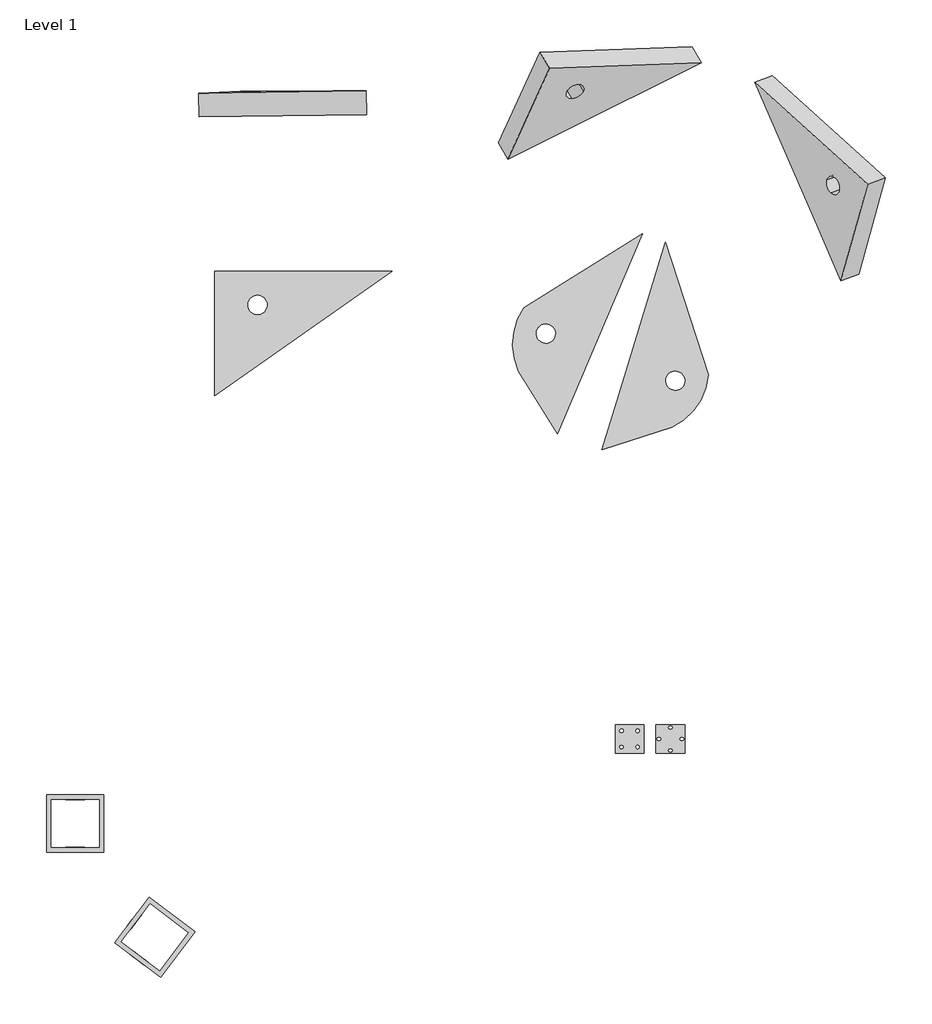
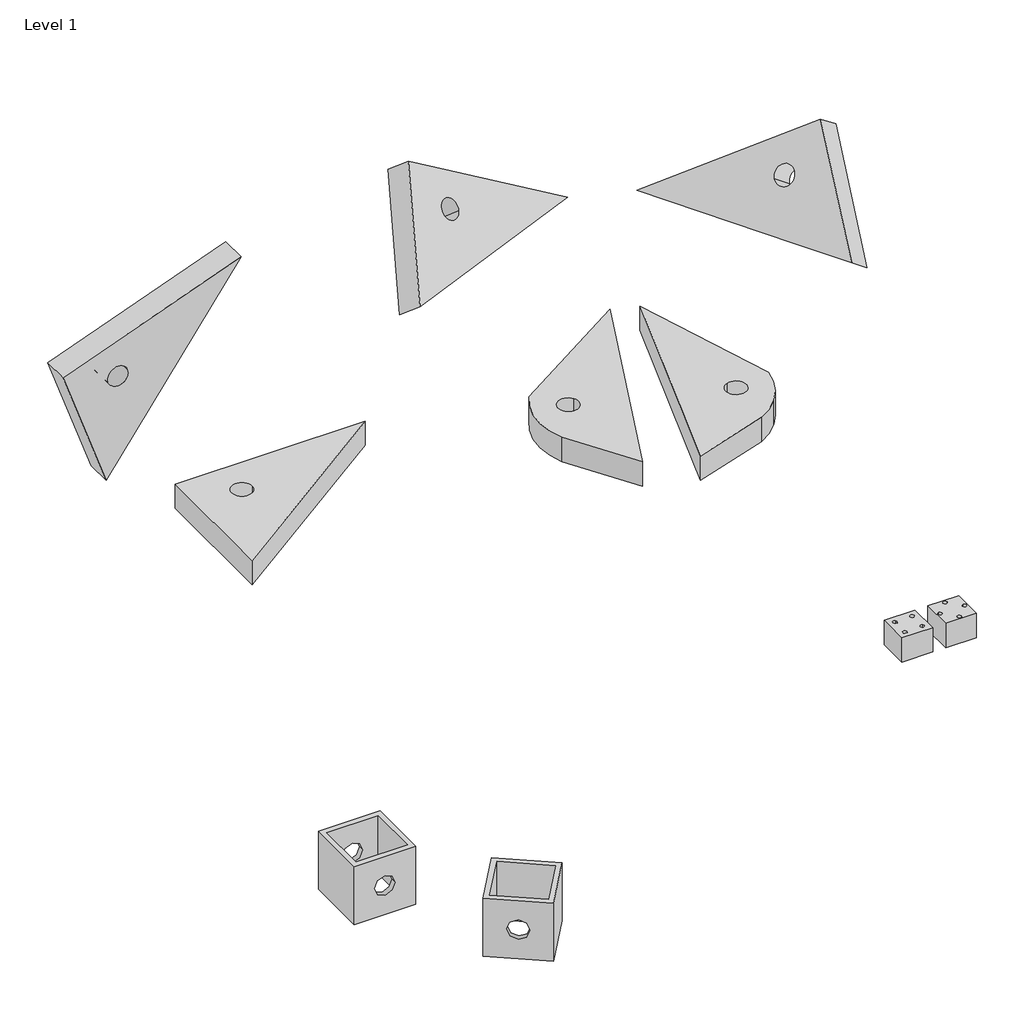
# One storey: 9 proxies.
"""IFC4 building model written with IfcOpenShell, lengths in millimetres."""

from ifc_helpers import new_model, si_unit, point, frame, frame_2d, origin, origin_with_axes, place, context, project, spatial, polyline, circle_curve, trimmed, segment, composite_curve, outline, extrude, element, save
from ifc_brep_helpers import plane_surface, cylinder_surface, revolved_surface, advanced_brep

model = new_model("IFC4")

# Units and contexts
model_context = context("Model", 3, world=origin())
ifc_project = project(units=[si_unit("LENGTHUNIT", "METRE", prefix="MILLI")], contexts=[model_context])

# Site, building, storey
site = spatial("IfcSite", under=ifc_project)
building = spatial("IfcBuilding", under=site)
storey = spatial("IfcBuildingStorey", under=building, Name="Level 1", Elevation=0.0)

# Proxies
placement = place(None, origin())
element("IfcBuildingElementProxy", 1, Name="Generic Models 1 : Generic Models 1", ObjectType="Generic Models 1 : Generic Models 1", at=placement, inside=storey, context=model_context, shape_type="SweptSolid", body=[
    extrude(outline(polyline([(506.5461347, 2887.032419), (506.5461347, 4187.032419), (2363.1385434, 4187.032419), (506.5461347, 2887.032419)]), holes=[composite_curve([segment(trimmed(circle_curve(frame_2d((956.5461347, 3837.032419)), 100.0), [point((856.5461347, 3837.032419))], [point((1056.5461347, 3837.032419))], True, "CARTESIAN"), True, "CONTINUOUS"), segment(trimmed(circle_curve(frame_2d((956.5461347, 3837.032419)), 100.0), [point((1056.5461347, 3837.032419))], [point((856.5461347, 3837.032419))], True, "CARTESIAN"), True, "CONTINUOUS")], self_intersect=False)]), origin_with_axes(), (0.0, 0.0, 1.0), 250.0),
])
element("IfcBuildingElementProxy", 2, Name="Generic Models 2 : Generic Models 1", ObjectType="Generic Models 2 : Generic Models 1", at=placement, inside=storey, context=model_context, shape_type="AdvancedBrep", body=[
    advanced_brep(
    [(4092.050032, 2493.8791148, 250.0), (4326.4887091, 3046.1820269, 250.0), (4977.6346461, 4580.1857231, 250.0), (3742.374227, 3808.3093455, 250.0), (3684.4456347, 3146.182506, 250.0), (4055.0531839, 3590.9804015, 250.0), (4023.2403007, 3453.1836655, 250.0), (3885.4435646, 3484.9965487, 250.0), (4092.050032, 2493.8791148, 0.0), (3684.4456347, 3146.182506, 0.0), (3742.374227, 3808.3093455, 0.0), (4977.6346461, 4580.1857231, 0.0), (4326.4887091, 3046.1820269, 0.0), (4055.0531839, 3590.9804015, 0.0), (3885.4435646, 3484.9965487, 0.0), (4023.2403007, 3453.1836655, 0.0)],
    [
        (0, 1),
        (1, 2),
        (2, 3),
        (3, 4, circle_curve(frame((4297.4793125, 3426.1464762, 250.0), z_axis=(0.0, 0.0, 1.0), x_axis=(0.8480480961564294, 0.5299192642331997, 0.0)), 673.9362839)),
        (4, 0),
        (5, 6, circle_curve(frame((3970.2483743, 3537.9884751, 250.0), z_axis=(0.0, 0.0, -1.0), x_axis=(-0.8480480961564244, -0.5299192642332075, 0.0)), 100.0)),
        (6, 7, circle_curve(frame((3970.2483743, 3537.9884751, 250.0), z_axis=(0.0, 0.0, -1.0), x_axis=(0.8480480961564344, 0.5299192642331917, 0.0)), 100.0)),
        (7, 5, circle_curve(frame((3970.2483743, 3537.9884751, 250.0), z_axis=(0.0, 0.0, -1.0), x_axis=(0.8480480961564294, 0.5299192642331996, 0.0)), 100.0)),
        (8, 9),
        (9, 10, circle_curve(frame((4297.4793125, 3426.1464762, 0.0), z_axis=(0.0, 0.0, -1.0), x_axis=(0.8480480961564294, 0.5299192642331997, 0.0)), 673.9362839)),
        (10, 11),
        (11, 12),
        (12, 8),
        (13, 14, circle_curve(frame((3970.2483743, 3537.9884751, 0.0), z_axis=(0.0, 0.0, 1.0), x_axis=(0.8480480961564294, 0.5299192642331996, 0.0)), 100.0)),
        (14, 15, circle_curve(frame((3970.2483743, 3537.9884751, 0.0), z_axis=(0.0, 0.0, 1.0), x_axis=(0.8480480961564344, 0.5299192642331917, 0.0)), 100.0)),
        (15, 13, circle_curve(frame((3970.2483743, 3537.9884751, 0.0), z_axis=(0.0, 0.0, 1.0), x_axis=(-0.8480480961564244, -0.5299192642332075, 0.0)), 100.0)),
        (2, 11),
        (10, 3),
        (4, 9),
        (8, 0),
        (5, 13),
        (15, 6),
        (14, 7),
    ],
    [
        plane_surface(frame((4092.050032, 2493.8791148, 250.0), z_axis=(0.0, 0.0, 1.0), x_axis=(0.39073112848927954, 0.9205048534524378, 0.0))),
        plane_surface(frame((4092.050032, 2493.8791148, 0.0), z_axis=(0.0, 0.0, -1.0), x_axis=(-0.39073112848927954, -0.9205048534524378, 0.0))),
        plane_surface(frame((4977.6346461, 4580.1857231, 250.0), z_axis=(-0.5299192642331968, 0.8480480961564311, 0.0), x_axis=(0.0, 0.0, -1.0))),
        plane_surface(frame((3684.4456347, 3146.182506, 250.0), z_axis=(-0.8480480961564303, -0.5299192642331982, 0.0), x_axis=(0.0, 0.0, -1.0))),
        plane_surface(frame((4326.4887091, 3046.1820269, 250.0), z_axis=(0.9205048534524375, -0.39073112848928054, 0.0), x_axis=(0.0, 0.0, -1.0))),
        revolved_surface(polyline([(3885.443564684357, 3484.996548676679, 0.0), (3885.443564684357, 3484.996548676679, 250.0)]), (3970.2483743, 3537.9884751, 0.0), (0.0, 0.0, -1.0)),
        revolved_surface(polyline([(4055.0531839156433, 3590.980401523319, 0.0), (4055.0531839156433, 3590.980401523319, 250.0000000000001)]), (3970.2483743, 3537.9884751, 0.0), (0.0, 0.0, -1.0000000000000002)),
        revolved_surface(polyline([(4055.053183915643, 3590.98040152332, 0.0), (4055.053183915643, 3590.98040152332, 250.0)]), (3970.2483743, 3537.9884751, 0.0), (0.0, 0.0, -1.0)),
        cylinder_surface(frame((4297.4793125, 3426.1464762, 0.0), z_axis=(0.0, 0.0, 1.0000000000000002), x_axis=(0.8480480961564294, 0.5299192642331997, 0.0)), 673.9362839),
    ],
    [
        (0, [[1, 2, 3, 4, 5], [6, 7, 8]]),
        (1, [[9, 10, 11, 12, 13], [14, 15, 16]]),
        (2, [[-3, 17, -11, 18]]),
        (3, [[-5, 19, -9, 20]]),
        (4, [[-2, -1, -20, -13, -12, -17]]),
        (5, [[-6, 21, -16, 22]]),
        (6, [[-7, -22, -15, 23]]),
        (7, [[-8, -23, -14, -21]]),
        (8, [[-4, -18, -10, -19]]),
    ],
),
])
element("IfcBuildingElementProxy", 3, Name="Generic Models 3 : Generic Models 1", ObjectType="Generic Models 3 : Generic Models 1", at=placement, inside=storey, context=model_context, shape_type="SweptSolid", body=[
    extrude(outline(polyline([(0.0, 0.0), (2266.4808343, 0.0), (745.6493672, -1064.8976576), (0.0, 0.0)]), holes=[composite_curve([segment(trimmed(circle_curve(frame_2d((913.5160344, -520.0850458)), 100.0), [point((831.60083, -577.4426894))], [point((995.4312388, -462.7274021))], True, "CARTESIAN"), True, "CONTINUOUS"), segment(trimmed(circle_curve(frame_2d((913.5160344, -520.0850458)), 100.0), [point((995.4312388, -462.7274021))], [point((831.60083, -577.4426894))], True, "CARTESIAN"), True, "CONTINUOUS")], self_intersect=False)]), frame((778.5900429, 5822.5172134, -798.7920893), z_axis=(-0.016928079747893097, 0.9997928725186354, 0.011298326291301092), x_axis=(0.5809608412998808, 0.0006386227946891793, 0.8139312581766723)), (0.0, 0.0, 1.0), 250.0),
])
element("IfcBuildingElementProxy", 4, Name="Generic Models 4 : Generic Models 1", ObjectType="Generic Models 4 : Generic Models 1", at=placement, inside=storey, context=model_context, shape_type="AdvancedBrep", body=[
    advanced_brep(
    [(3573.6009573, 5359.4446166, 295.9480703), (4108.8111229, 5626.0195792, 246.0695389), (5595.3402619, 6366.4230227, 107.5335112), (4008.6656399, 6309.050226, 1069.8782407), (4361.57195, 6070.3833893, 576.4258343), (4242.6437797, 5994.2465836, 568.72667), (4190.6486376, 6064.2029486, 680.0936857), (3474.3444162, 5530.0070486, 142.4664888), (3909.4090988, 6479.6126579, 916.3966592), (5496.0837208, 6536.9854546, -45.9480703), (4009.5545818, 5796.5820112, 92.5879574), (4262.3154089, 6240.9458212, 422.9442528), (4091.3920965, 6234.7653805, 526.6121042), (4143.3872387, 6164.8090155, 415.2450884)],
    [
        (0, 1),
        (1, 2),
        (2, 3),
        (3, 0),
        (4, 5, circle_curve(frame((4276.1102938, 6067.293169, 628.25976), z_axis=(-0.39702616432494253, 0.6822497276628084, -0.6139263261544072), x_axis=(-0.8546165623099989, -0.030902203639162164, 0.5183392568923209)), 100.0)),
        (5, 6, circle_curve(frame((4276.1102938, 6067.293169, 628.25976), z_axis=(-0.3970261643249426, 0.6822497276628083, -0.6139263261544073), x_axis=(0.8546165623099927, 0.03090220363914851, -0.5183392568923321)), 100.0)),
        (6, 4, circle_curve(frame((4276.1102938, 6067.293169, 628.25976), z_axis=(-0.3970261643249425, 0.6822497276628084, -0.6139263261544072), x_axis=(0.8546165623099959, 0.030902203639155343, -0.5183392568923265)), 100.0)),
        (7, 8),
        (8, 9),
        (9, 10),
        (10, 7),
        (11, 12, circle_curve(frame((4176.8537527, 6237.8556009, 474.7781785), z_axis=(0.3970261643249425, -0.6822497276628084, 0.6139263261544072), x_axis=(0.8546165623099959, 0.030902203639155343, -0.5183392568923265)), 100.0)),
        (12, 13, circle_curve(frame((4176.8537527, 6237.8556009, 474.7781785), z_axis=(0.3970261643249426, -0.6822497276628083, 0.6139263261544073), x_axis=(0.8546165623099927, 0.03090220363914851, -0.5183392568923321)), 100.0)),
        (13, 11, circle_curve(frame((4176.8537527, 6237.8556009, 474.7781785), z_axis=(0.39702616432494253, -0.6822497276628084, 0.6139263261544072), x_axis=(-0.8546165623099989, -0.030902203639162164, 0.5183392568923209)), 100.0)),
        (2, 9),
        (8, 3),
        (7, 0),
        (4, 11),
        (13, 5),
        (12, 6),
    ],
    [
        plane_surface(frame((3573.6009573, 5359.4446166, 295.9480703), z_axis=(0.3970261643249425, -0.6822497276628084, 0.6139263261544072), x_axis=(0.8920169427592191, 0.44429160432620823, -0.08313088569081939))),
        plane_surface(frame((3474.3444162, 5530.0070486, 142.4664888), z_axis=(-0.3970261643249425, 0.6822497276628084, -0.6139263261544072), x_axis=(-0.8920169427592191, -0.44429160432620823, 0.08313088569081939))),
        plane_surface(frame((5595.3402619, 6366.4230227, 107.5335112), z_axis=(0.3346651405014731, 0.7304658533526863, 0.5953309002721606), x_axis=(-0.3970261643249419, 0.6822497276628084, -0.6139263261544076))),
        plane_surface(frame((4008.6656399, 6309.050226, 1069.8782407), z_axis=(-0.8546165623099948, -0.030902203639154496, 0.5183392568923283), x_axis=(-0.39702616432494364, 0.6822497276628077, -0.6139263261544073))),
        plane_surface(frame((4108.8111229, 5626.0195792, 246.0695389), z_axis=(0.2160462882623067, -0.5806378212184155, -0.7849737077754975), x_axis=(-0.3970261643249419, 0.6822497276628083, -0.6139263261544077))),
        revolved_surface(polyline([(4091.392096469, 6234.765380536084, 526.6121041892321), (4190.648637555841, 6064.20294861075, 680.093685736501)]), (4176.8537527, 6237.8556009, 474.7781785), (-0.3970261643249424, 0.6822497276628083, -0.6139263261544071)),
        revolved_surface(polyline([(4262.315408930999, 6240.945821263916, 422.94425281076684), (4361.571950018816, 6070.383389336905, 576.4258343595448)]), (4176.8537527, 6237.8556009, 474.7781785), (-0.3970261643249426, 0.6822497276628083, -0.6139263261544073)),
        revolved_surface(polyline([(4262.315408930999, 6240.945821263916, 422.94425281076735), (4361.571950018816, 6070.383389336905, 576.4258343595453)]), (4176.8537527, 6237.8556009, 474.7781785), (-0.3970261643249426, 0.6822497276628086, -0.6139263261544073)),
    ],
    [
        (0, [[1, 2, 3, 4], [5, 6, 7]]),
        (1, [[8, 9, 10, 11], [12, 13, 14]]),
        (2, [[-3, 15, -9, 16]]),
        (3, [[-4, -16, -8, 17]]),
        (4, [[-2, -1, -17, -11, -10, -15]]),
        (5, [[-5, 18, -14, 19]]),
        (6, [[-6, -19, -13, 20]]),
        (7, [[-7, -20, -12, -18]]),
    ],
),
])
element("IfcBuildingElementProxy", 5, Name="Generic Models 5 : Generic Models 1", ObjectType="Generic Models 5 : Generic Models 1", at=placement, inside=storey, context=model_context, shape_type="AdvancedBrep", body=[
    advanced_brep(
    [(7056.5421426, 4091.7576975, 295.9480703), (7333.6579798, 5098.8519851, 1069.8782407), (6155.0732255, 6162.6968848, 107.5335112), (6817.8984523, 4639.9924293, 246.0695389), (6909.9039766, 5142.8663846, 576.4258343), (7036.8661196, 5028.2645049, 680.0936857), (6952.0684452, 5008.0966534, 568.72667), (7242.2124822, 4158.6152259, 142.4664888), (7003.5687919, 4706.8499577, 92.5879574), (6340.7435651, 6229.5544132, -45.9480703), (7519.3283195, 5165.7095135, 916.3966592), (7095.5743162, 5209.723913, 422.9442528), (7137.7387849, 5074.9541818, 415.2450884), (7222.5364592, 5095.1220333, 526.6121042)],
    [
        (0, 1),
        (1, 2),
        (2, 3),
        (3, 0),
        (4, 5, circle_curve(frame((6973.3850481, 5085.5654448, 628.25976), z_axis=(0.7426813586076336, 0.26743011354608487, -0.6139263261544076), x_axis=(-0.6348107149437565, 0.5730093986636765, -0.5183392568923262)), 100.0)),
        (5, 6, circle_curve(frame((6973.3850481, 5085.5654448, 628.25976), z_axis=(0.7426813586076336, 0.2674301135460847, -0.6139263261544075), x_axis=(-0.6348107149437584, 0.5730093986636693, -0.5183392568923317)), 100.0)),
        (6, 4, circle_curve(frame((6973.3850481, 5085.5654448, 628.25976), z_axis=(0.7426813586076335, 0.2674301135460848, -0.6139263261544075), x_axis=(0.6348107149437544, -0.5730093986636837, 0.5183392568923205)), 100.0)),
        (7, 8),
        (8, 9),
        (9, 10),
        (10, 7),
        (11, 12, circle_curve(frame((7159.0553877, 5152.4229732, 474.7781785), z_axis=(-0.7426813586076335, -0.2674301135460848, 0.6139263261544075), x_axis=(0.6348107149437544, -0.5730093986636837, 0.5183392568923205)), 100.0)),
        (12, 13, circle_curve(frame((7159.0553877, 5152.4229732, 474.7781785), z_axis=(-0.7426813586076336, -0.2674301135460847, 0.6139263261544075), x_axis=(-0.6348107149437584, 0.5730093986636693, -0.5183392568923317)), 100.0)),
        (13, 11, circle_curve(frame((7159.0553877, 5152.4229732, 474.7781785), z_axis=(-0.7426813586076336, -0.26743011354608487, 0.6139263261544076), x_axis=(-0.6348107149437565, 0.5730093986636765, -0.5183392568923262)), 100.0)),
        (2, 9),
        (7, 0),
        (1, 10),
        (6, 12),
        (11, 4),
        (5, 13),
    ],
    [
        plane_surface(frame((7333.6579798, 5098.8519851, 1069.8782407), z_axis=(-0.7426813586076335, -0.2674301135460847, 0.6139263261544075), x_axis=(0.21316602864742795, 0.7746879135573382, 0.5953309002721613))),
        plane_surface(frame((7519.3283195, 5165.7095135, 916.3966592), z_axis=(0.7426813586076335, 0.2674301135460847, -0.6139263261544075), x_axis=(-0.21316602864742795, -0.7746879135573382, -0.5953309002721613))),
        plane_surface(frame((6817.8984523, 4639.9924293, 246.0695389), z_axis=(-0.5387278557744046, -0.3059224991952992, -0.784973707775499), x_axis=(0.7426813586076355, 0.2674301135460842, -0.6139263261544053))),
        plane_surface(frame((7333.6579798, 5098.8519851, 1069.8782407), z_axis=(0.2131660286474263, 0.7746879135573387, 0.5953309002721613), x_axis=(0.7426813586076324, 0.2674301135460868, -0.613926326154408))),
        plane_surface(frame((7056.5421426, 4091.7576975, 295.9480703), z_axis=(0.6348107149437577, -0.5730093986636746, 0.5183392568923266), x_axis=(0.7426813586076326, 0.2674301135460847, -0.6139263261544087))),
        revolved_surface(polyline([(7222.536459254479, 5095.122033355275, 526.6121041395479), (7036.866119545373, 5028.264504948158, 680.0936857254316)]), (7159.0553877, 5152.4229732, 474.7781785), (0.7426813586076335, 0.2674301135460848, -0.6139263261544075)),
        revolved_surface(polyline([(7095.574316265728, 5209.72391308801, 422.9442527610826), (6909.903976556622, 5142.866384680893, 576.4258343469663)]), (7159.0553877, 5152.4229732, 474.7781785), (0.7426813586076337, 0.26743011354608476, -0.6139263261544076)),
        revolved_surface(polyline([(7095.574316205624, 5209.723913066368, 422.9442528107674), (6909.903976585896, 5142.866384691435, 576.4258343227682)]), (7159.0553877, 5152.4229732, 474.7781785), (0.7426813586076337, 0.2674301135460849, -0.6139263261544077)),
    ],
    [
        (0, [[1, 2, 3, 4], [5, 6, 7]]),
        (1, [[8, 9, 10, 11], [12, 13, 14]]),
        (2, [[-4, -3, 15, -9, -8, 16]]),
        (3, [[-2, 17, -10, -15]]),
        (4, [[-1, -16, -11, -17]]),
        (5, [[-7, 18, -12, 19]]),
        (6, [[-6, 20, -13, -18]]),
        (7, [[-5, -19, -14, -20]]),
    ],
),
])
element("IfcBuildingElementProxy", 6, Name="Generic Models 6 : Generic Models 1", ObjectType="Generic Models 6 : Generic Models 1", at=placement, inside=storey, context=model_context, shape_type="AdvancedBrep", body=[
    advanced_brep(
    [(4558.9889079, 2323.9272628, 250.0), (5290.5245291, 2561.6175946, 250.0), (5510.9079475, 2729.6192336, 250.0), (5671.7555814, 3106.071962, 250.0), (5221.6437732, 4491.3736639, 250.0), (4734.4119308, 2897.7101163, 250.0), (5292.5332515, 3140.5744914, 250.0), (5354.3366504, 2950.3631881, 250.0), (5228.3292993, 3014.5671403, 250.0), (4558.9889079, 2323.9272628, 0.0), (4734.4119308, 2897.7101163, 0.0), (5221.6437732, 4491.3736639, 0.0), (5671.7555814, 3106.071962, 0.0), (5510.9079475, 2729.6192336, 0.0), (5290.5245291, 2561.6175946, 0.0), (5292.5332515, 3140.5744914, 0.0), (5228.3292993, 3014.5671403, 0.0), (5354.3366504, 2950.3631881, 0.0)],
    [
        (0, 1),
        (1, 2, circle_curve(frame((5000.870858, 3170.1328906, 250.0), z_axis=(0.0, 0.0, 1.0), x_axis=(-0.309016994374952, 0.9510565162951521, 0.0)), 673.9362839)),
        (2, 3, circle_curve(frame((5000.870858, 3170.1328906, 250.0), z_axis=(0.0, 0.0, 1.0), x_axis=(-0.309016994374952, 0.9510565162951521, 0.0)), 673.9362839)),
        (3, 4),
        (4, 5),
        (5, 0),
        (6, 7, circle_curve(frame((5323.434951, 3045.4688398, 250.0), z_axis=(0.0, 0.0, -1.0), x_axis=(-0.3090169943749521, 0.9510565162951521, 0.0)), 100.0)),
        (7, 8, circle_curve(frame((5323.434951, 3045.4688398, 250.0), z_axis=(0.0, 0.0, -1.0), x_axis=(-0.30901699437496094, 0.9510565162951492, 0.0)), 100.0)),
        (8, 6, circle_curve(frame((5323.434951, 3045.4688398, 250.0), z_axis=(0.0, 0.0, -1.0), x_axis=(0.3090169943749431, -0.951056516295155, 0.0)), 100.0)),
        (9, 10),
        (10, 11),
        (11, 12),
        (12, 13, circle_curve(frame((5000.870858, 3170.1328906, 0.0), z_axis=(0.0, 0.0, -1.0), x_axis=(-0.309016994374952, 0.9510565162951521, 0.0)), 673.9362839)),
        (13, 14, circle_curve(frame((5000.870858, 3170.1328906, 0.0), z_axis=(0.0, 0.0, -1.0), x_axis=(-0.309016994374952, 0.9510565162951521, 0.0)), 673.9362839)),
        (14, 9),
        (15, 16, circle_curve(frame((5323.434951, 3045.4688398, 0.0), z_axis=(0.0, 0.0, 1.0), x_axis=(0.3090169943749431, -0.951056516295155, 0.0)), 100.0)),
        (16, 17, circle_curve(frame((5323.434951, 3045.4688398, 0.0), z_axis=(0.0, 0.0, 1.0), x_axis=(-0.30901699437496094, 0.9510565162951492, 0.0)), 100.0)),
        (17, 15, circle_curve(frame((5323.434951, 3045.4688398, 0.0), z_axis=(0.0, 0.0, 1.0), x_axis=(-0.3090169943749521, 0.9510565162951521, 0.0)), 100.0)),
        (4, 11),
        (9, 0),
        (3, 12),
        (14, 1),
        (8, 16),
        (15, 6),
        (7, 17),
        (2, 13),
    ],
    [
        plane_surface(frame((5795.3623791, 2725.6493555, 250.0), z_axis=(0.0, 0.0, 1.0), x_axis=(0.9510565162951516, 0.3090169943749534, 0.0))),
        plane_surface(frame((5795.3623791, 2725.6493555, 0.0), z_axis=(0.0, 0.0, -1.0), x_axis=(-0.9510565162951516, -0.3090169943749534, 0.0))),
        plane_surface(frame((4734.4119308, 2897.7101163, 250.0), z_axis=(-0.9563047559630372, 0.29237170472273133, 0.0), x_axis=(0.0, 0.0, -1.0))),
        plane_surface(frame((5671.7555814, 3106.071962, 250.0), z_axis=(0.9510565162951511, 0.3090169943749553, 0.0), x_axis=(0.0, 0.0, -1.0))),
        plane_surface(frame((4558.9889079, 2323.9272628, 250.0), z_axis=(0.3090169943749534, -0.9510565162951516, 0.0), x_axis=(0.0, 0.0, -1.0))),
        revolved_surface(polyline([(5354.336650437494, 2950.363188170484, 0.0), (5354.336650437494, 2950.363188170484, 250.0)]), (5323.434951, 3045.4688398, 0.0), (0.0, 0.0, -1.0)),
        revolved_surface(polyline([(5292.533251562504, 3140.5744914295146, 0.0), (5292.533251562504, 3140.5744914295146, 250.0)]), (5323.434951, 3045.4688398, 0.0), (0.0, 0.0, -1.0)),
        revolved_surface(polyline([(5292.533251562505, 3140.574491429515, 0.0), (5292.533251562505, 3140.574491429515, 250.0)]), (5323.434951, 3045.4688398, 0.0), (0.0, 0.0, -1.0)),
        cylinder_surface(frame((5000.870858, 3170.1328906, 0.0), z_axis=(0.0, 0.0, 1.0), x_axis=(-0.309016994374952, 0.9510565162951521, 0.0)), 673.9362839),
    ],
    [
        (0, [[1, 2, 3, 4, 5, 6], [7, 8, 9]]),
        (1, [[10, 11, 12, 13, 14, 15], [16, 17, 18]]),
        (2, [[-6, -5, 19, -11, -10, 20]]),
        (3, [[-4, 21, -12, -19]]),
        (4, [[-1, -20, -15, 22]]),
        (5, [[-9, 23, -16, 24]]),
        (6, [[-8, 25, -17, -23]]),
        (7, [[-7, -24, -18, -25]]),
        (8, [[-3, 26, -13, -21]]),
        (8, [[-2, -22, -14, -26]]),
    ],
),
])
element("IfcBuildingElementProxy", 7, Name="Generic Models 7 : Generic Models 7", ObjectType="Generic Models 7 : Generic Models 7", at=placement, inside=storey, context=model_context, shape_type="AdvancedBrep", body=[
    advanced_brep(
    [(-649.2266102, -1281.251195, 600.0), (-1249.2266102, -1281.251195, 600.0), (-1249.2266102, -1881.251195, 600.0), (-649.2266102, -1881.251195, 600.0), (-1199.2266102, -1331.251195, 600.0), (-699.2266102, -1331.251195, 600.0), (-699.2266102, -1831.251195, 600.0), (-1199.2266102, -1831.251195, 600.0), (-649.2266102, -1281.251195, 0.0), (-649.2266102, -1881.251195, 0.0), (-1249.2266102, -1881.251195, 0.0), (-1249.2266102, -1281.251195, 0.0), (-1199.2266102, -1331.251195, 0.0), (-1199.2266102, -1831.251195, 0.0), (-699.2266102, -1831.251195, 0.0), (-699.2266102, -1331.251195, 0.0), (-849.2266102, -1281.251195, 300.0), (-1049.2266102, -1281.251195, 300.0), (-1049.2266102, -1881.251195, 300.0), (-849.2266102, -1881.251195, 300.0), (-1049.2266102, -1331.251195, 300.0), (-849.2266102, -1331.251195, 300.0), (-849.2266102, -1831.251195, 300.0), (-1049.2266102, -1831.251195, 300.0)],
    [
        (0, 1),
        (1, 2),
        (2, 3),
        (3, 0),
        (4, 5),
        (5, 6),
        (6, 7),
        (7, 4),
        (8, 9),
        (9, 10),
        (10, 11),
        (11, 8),
        (12, 13),
        (13, 14),
        (14, 15),
        (15, 12),
        (0, 8),
        (11, 1),
        (16, 17, circle_curve(frame((-949.2266102, -1281.251195, 300.0), z_axis=(0.0, -1.0, 0.0), x_axis=(1.0, 0.0, 0.0)), 100.0)),
        (17, 16, circle_curve(frame((-949.2266102, -1281.251195, 300.0), z_axis=(0.0, -1.0, 0.0), x_axis=(1.0, 0.0, 0.0)), 100.0)),
        (10, 2),
        (9, 3),
        (18, 19, circle_curve(frame((-949.2266102, -1881.251195, 300.0), z_axis=(0.0, 1.0, 0.0), x_axis=(1.0, 0.0, 0.0)), 100.0)),
        (19, 18, circle_curve(frame((-949.2266102, -1881.251195, 300.0), z_axis=(0.0, 1.0, 0.0), x_axis=(1.0, 0.0, 0.0)), 100.0)),
        (4, 12),
        (15, 5),
        (20, 21, circle_curve(frame((-949.2266102, -1331.251195, 300.0), z_axis=(0.0, 1.0, 0.0), x_axis=(1.0, 0.0, 0.0)), 100.0)),
        (21, 20, circle_curve(frame((-949.2266102, -1331.251195, 300.0), z_axis=(0.0, 1.0, 0.0), x_axis=(1.0, 0.0, 0.0)), 100.0)),
        (14, 6),
        (13, 7),
        (22, 23, circle_curve(frame((-949.2266102, -1831.251195, 300.0), z_axis=(0.0, -1.0, 0.0), x_axis=(1.0, 0.0, 0.0)), 100.0)),
        (23, 22, circle_curve(frame((-949.2266102, -1831.251195, 300.0), z_axis=(0.0, -1.0, 0.0), x_axis=(1.0, 0.0, 0.0)), 100.0)),
        (18, 23),
        (22, 19),
        (17, 20),
        (21, 16),
    ],
    [
        plane_surface(frame((-1249.2266102, -1281.251195, 600.0), z_axis=(0.0, 0.0, 1.0), x_axis=(-1.0, 0.0, 0.0))),
        plane_surface(frame((-1249.2266102, -1281.251195, 0.0), z_axis=(0.0, 0.0, -1.0), x_axis=(1.0, 0.0, 0.0))),
        plane_surface(frame((-649.2266102, -1281.251195, 600.0), z_axis=(0.0, 1.0, 0.0), x_axis=(0.0, 0.0, -1.0))),
        plane_surface(frame((-1249.2266102, -1281.251195, 600.0), z_axis=(-1.0, 0.0, 0.0), x_axis=(0.0, 0.0, -1.0))),
        plane_surface(frame((-1249.2266102, -1881.251195, 600.0), z_axis=(0.0, -1.0, 0.0), x_axis=(0.0, 0.0, -1.0))),
        plane_surface(frame((-649.2266102, -1881.251195, 600.0), z_axis=(1.0, 0.0, 0.0), x_axis=(0.0, 0.0, -1.0))),
        plane_surface(frame((-1199.2266102, -1331.251195, 600.0), z_axis=(0.0, -1.0, 0.0), x_axis=(0.0, 0.0, -1.0))),
        plane_surface(frame((-699.2266102, -1331.251195, 600.0), z_axis=(-1.0, 0.0, 0.0), x_axis=(0.0, 0.0, -1.0))),
        plane_surface(frame((-699.2266102, -1831.251195, 600.0), z_axis=(0.0, 1.0, 0.0), x_axis=(0.0, 0.0, -1.0))),
        plane_surface(frame((-1199.2266102, -1831.251195, 600.0), z_axis=(1.0, 0.0, 0.0), x_axis=(0.0, 0.0, -1.0))),
        revolved_surface(polyline([(-849.2266102, -1831.251195, 300.0), (-849.2266102, -1881.251195, 300.0)]), (-949.2266102, -1881.251195, 300.0), (0.0, 1.0, 0.0)),
        revolved_surface(polyline([(-849.2266102, -1281.251195, 300.0), (-849.2266102, -1331.251195, 300.0)]), (-949.2266102, -1881.251195, 300.0), (0.0, 1.0, 0.0)),
    ],
    [
        (0, [[1, 2, 3, 4], [5, 6, 7, 8]]),
        (1, [[9, 10, 11, 12], [13, 14, 15, 16]]),
        (2, [[-1, 17, -12, 18], [19, 20]]),
        (3, [[-2, -18, -11, 21]]),
        (4, [[-3, -21, -10, 22], [23, 24]]),
        (5, [[-4, -22, -9, -17]]),
        (6, [[-5, 25, -16, 26], [27, 28]]),
        (7, [[-6, -26, -15, 29]]),
        (8, [[-7, -29, -14, 30], [31, 32]]),
        (9, [[-8, -30, -13, -25]]),
        (10, [[33, -31, 34, -23]]),
        (10, [[-33, -24, -34, -32]]),
        (11, [[35, -28, 36, -20]]),
        (11, [[-35, -19, -36, -27]]),
    ],
),
])
element("IfcBuildingElementProxy", 8, Name="Generic Models 8 : Generic Models 7", ObjectType="Generic Models 8 : Generic Models 7", at=placement, inside=storey, context=model_context, shape_type="AdvancedBrep", body=[
    advanced_brep(
    [(302.5943824, -2709.9755131, 600.0), (-176.5869236, -2348.8864992, 600.0), (-537.6759375, -2828.0678052, 600.0), (-58.4946314, -3189.1568191, 600.0), (-166.7458992, -2418.9090259, 600.0), (232.5718558, -2719.8165375, 600.0), (-68.3356558, -3119.1342925, 600.0), (-467.6534108, -2818.2267809, 600.0), (302.5943824, -2709.9755131, 0.0), (-58.4946314, -3189.1568191, 0.0), (-537.6759375, -2828.0678052, 0.0), (-176.5869236, -2348.8864992, 0.0), (-166.7458992, -2418.9090259, 0.0), (-467.6534108, -2818.2267809, 0.0), (-68.3356558, -3119.1342925, 0.0), (232.5718558, -2719.8165375, 0.0), (-296.9499282, -2508.6136012, 300.0), (-417.3129328, -2668.3407032, 300.0), (-377.9488355, -2948.4308099, 300.0), (-218.2217335, -3068.7938145, 300.0), (-188.1309823, -3028.862039, 300.0), (-347.8580843, -2908.4990344, 300.0), (-377.3811573, -2698.4314544, 300.0), (-257.0181527, -2538.7043524, 300.0)],
    [
        (0, 1),
        (1, 2),
        (2, 3),
        (3, 0),
        (4, 5),
        (5, 6),
        (6, 7),
        (7, 4),
        (8, 9),
        (9, 10),
        (10, 11),
        (11, 8),
        (12, 13),
        (13, 14),
        (14, 15),
        (15, 12),
        (0, 8),
        (11, 1),
        (10, 2),
        (16, 17, circle_curve(frame((-357.1314305, -2588.4771522, 300.0), z_axis=(0.7986355100472857, -0.601815023152058, 0.0), x_axis=(0.6018150231520579, 0.7986355100472855, 0.0)), 100.0)),
        (17, 16, circle_curve(frame((-357.1314305, -2588.4771522, 300.0), z_axis=(0.7986355100472857, -0.601815023152058, 0.0), x_axis=(0.6018150231520579, 0.7986355100472855, 0.0)), 100.0)),
        (9, 3),
        (18, 19, circle_curve(frame((-298.0852845, -3008.6123122, 300.0), z_axis=(0.6018150231520576, 0.798635510047286, 0.0), x_axis=(0.798635510047286, -0.6018150231520576, 0.0)), 100.0)),
        (19, 18, circle_curve(frame((-298.0852845, -3008.6123122, 300.0), z_axis=(0.6018150231520576, 0.798635510047286, 0.0), x_axis=(0.798635510047286, -0.6018150231520576, 0.0)), 100.0)),
        (4, 12),
        (15, 5),
        (14, 6),
        (13, 7),
        (20, 21, circle_curve(frame((-267.9945333, -2968.6805367, 300.0), z_axis=(-0.6018150231520576, -0.798635510047286, 0.0), x_axis=(0.798635510047286, -0.6018150231520576, 0.0)), 100.0)),
        (21, 20, circle_curve(frame((-267.9945333, -2968.6805367, 300.0), z_axis=(-0.6018150231520576, -0.798635510047286, 0.0), x_axis=(0.798635510047286, -0.6018150231520576, 0.0)), 100.0)),
        (22, 23, circle_curve(frame((-317.199655, -2618.5679034, 300.0), z_axis=(-0.7986355100472857, 0.601815023152058, 0.0), x_axis=(0.6018150231520579, 0.7986355100472855, 0.0)), 100.0)),
        (23, 22, circle_curve(frame((-317.199655, -2618.5679034, 300.0), z_axis=(-0.7986355100472857, 0.601815023152058, 0.0), x_axis=(0.6018150231520579, 0.7986355100472855, 0.0)), 100.0)),
        (18, 21),
        (20, 19),
        (16, 23),
        (22, 17),
    ],
    [
        plane_surface(frame((-176.5869236, -2348.8864992, 600.0), z_axis=(0.0, 0.0, 1.0), x_axis=(-0.7986355100472858, 0.6018150231520577, 0.0))),
        plane_surface(frame((-176.5869236, -2348.8864992, 0.0), z_axis=(0.0, 0.0, -1.0), x_axis=(0.7986355100472858, -0.6018150231520577, 0.0))),
        plane_surface(frame((302.5943824, -2709.9755131, 600.0), z_axis=(0.6018150231520577, 0.7986355100472858, 0.0), x_axis=(0.0, 0.0, -1.0))),
        plane_surface(frame((-176.5869236, -2348.8864992, 600.0), z_axis=(-0.7986355100472857, 0.6018150231520577, 0.0), x_axis=(0.0, 0.0, -1.0))),
        plane_surface(frame((-537.6759375, -2828.0678052, 600.0), z_axis=(-0.6018150231520577, -0.7986355100472858, 0.0), x_axis=(0.0, 0.0, -1.0))),
        plane_surface(frame((-58.4946314, -3189.1568191, 600.0), z_axis=(0.7986355100472858, -0.6018150231520577, 0.0), x_axis=(0.0, 0.0, -1.0))),
        plane_surface(frame((-166.7458992, -2418.9090259, 600.0), z_axis=(-0.6018150231520573, -0.7986355100472861, 0.0), x_axis=(0.0, 0.0, -1.0))),
        plane_surface(frame((232.5718558, -2719.8165375, 600.0), z_axis=(-0.7986355100472862, 0.6018150231520571, 0.0), x_axis=(0.0, 0.0, -1.0))),
        plane_surface(frame((-68.3356558, -3119.1342925, 600.0), z_axis=(0.601815023152058, 0.7986355100472856, 0.0), x_axis=(0.0, 0.0, -1.0))),
        plane_surface(frame((-467.6534108, -2818.2267809, 600.0), z_axis=(0.7986355100472864, -0.6018150231520569, 0.0), x_axis=(0.0, 0.0, -1.0))),
        revolved_surface(polyline([(-188.13098231785375, -3028.8620389865464, 300.0), (-218.22173350086717, -3068.7938145226317, 300.0)]), (-298.0852845, -3008.6123122, 300.0), (0.6018150231520576, 0.798635510047286, 0.0)),
        revolved_surface(polyline([(-257.01815265613476, -2538.7043523726893, 300.0), (-296.94992819222, -2508.613601189676, 300.0)]), (-357.1314305, -2588.4771522, 300.0), (0.7986355100472855, -0.6018150231520579, 0.0)),
    ],
    [
        (0, [[1, 2, 3, 4], [5, 6, 7, 8]]),
        (1, [[9, 10, 11, 12], [13, 14, 15, 16]]),
        (2, [[-1, 17, -12, 18]]),
        (3, [[-2, -18, -11, 19], [20, 21]]),
        (4, [[-3, -19, -10, 22], [23, 24]]),
        (5, [[-4, -22, -9, -17]]),
        (6, [[-5, 25, -16, 26]]),
        (7, [[-6, -26, -15, 27]]),
        (8, [[-7, -27, -14, 28], [29, 30]]),
        (9, [[-8, -28, -13, -25], [31, 32]]),
        (10, [[33, -29, 34, -23]]),
        (10, [[-33, -24, -34, -30]]),
        (11, [[35, -31, 36, -20]]),
        (11, [[-35, -21, -36, -32]]),
    ],
),
])
element("IfcBuildingElementProxy", 9, Name="Generic Models 9 : Generic Models 9", ObjectType="Generic Models 9 : Generic Models 9", at=placement, inside=storey, context=model_context, shape_type="SweptSolid", body=[
    extrude(outline(polyline([(5121.9867435, -847.4138826), (5121.9867435, -547.4138826), (5421.9867435, -547.4138826), (5421.9867435, -847.4138826), (5121.9867435, -847.4138826)]), holes=[composite_curve([segment(trimmed(circle_curve(frame_2d((5271.9867435, -817.4138826)), 20.0), [point((5251.9867435, -817.4138826))], [point((5291.9867435, -817.4138826))], True, "CARTESIAN"), True, "CONTINUOUS"), segment(trimmed(circle_curve(frame_2d((5271.9867435, -817.4138826)), 20.0), [point((5291.9867435, -817.4138826))], [point((5251.9867435, -817.4138826))], True, "CARTESIAN"), True, "CONTINUOUS")], self_intersect=False), composite_curve([segment(trimmed(circle_curve(frame_2d((5271.9867435, -577.4138826)), 20.0), [point((5251.9867435, -577.4138826))], [point((5291.9867435, -577.4138826))], True, "CARTESIAN"), True, "CONTINUOUS"), segment(trimmed(circle_curve(frame_2d((5271.9867435, -577.4138826)), 20.0), [point((5291.9867435, -577.4138826))], [point((5251.9867435, -577.4138826))], True, "CARTESIAN"), True, "CONTINUOUS")], self_intersect=False), composite_curve([segment(trimmed(circle_curve(frame_2d((5391.9867435, -697.4138826)), 20.0), [point((5391.9867435, -677.4138826))], [point((5391.9867435, -717.4138826))], True, "CARTESIAN"), True, "CONTINUOUS"), segment(trimmed(circle_curve(frame_2d((5391.9867435, -697.4138826)), 20.0), [point((5391.9867435, -717.4138826))], [point((5391.9867435, -677.4138826))], True, "CARTESIAN"), True, "CONTINUOUS")], self_intersect=False), composite_curve([segment(trimmed(circle_curve(frame_2d((5151.9867435, -697.4138826)), 20.0), [point((5151.9867435, -677.4138826))], [point((5151.9867435, -717.4138826))], True, "CARTESIAN"), True, "CONTINUOUS"), segment(trimmed(circle_curve(frame_2d((5151.9867435, -697.4138826)), 20.0), [point((5151.9867435, -717.4138826))], [point((5151.9867435, -677.4138826))], True, "CARTESIAN"), True, "CONTINUOUS")], self_intersect=False)]), origin_with_axes(), (0.0, 0.0, 1.0), 250.0),
    extrude(outline(polyline([(4695.5217983, -847.4138826), (4695.5217983, -547.4138826), (4995.5217983, -547.4138826), (4995.5217983, -847.4138826), (4695.5217983, -847.4138826)]), holes=[composite_curve([segment(trimmed(circle_curve(frame_2d((4760.6689845, -782.2666963)), 20.0), [point((4746.5268489, -768.1245607))], [point((4774.8111202, -796.4088319))], True, "CARTESIAN"), True, "CONTINUOUS"), segment(trimmed(circle_curve(frame_2d((4760.6689845, -782.2666963)), 20.0), [point((4774.8111202, -796.4088319))], [point((4746.5268489, -768.1245607))], True, "CARTESIAN"), True, "CONTINUOUS")], self_intersect=False), composite_curve([segment(trimmed(circle_curve(frame_2d((4930.374612, -612.5610688)), 20.0), [point((4916.2324764, -598.4189332))], [point((4944.5167477, -626.7032045))], True, "CARTESIAN"), True, "CONTINUOUS"), segment(trimmed(circle_curve(frame_2d((4930.374612, -612.5610688)), 20.0), [point((4944.5167477, -626.7032045))], [point((4916.2324764, -598.4189332))], True, "CARTESIAN"), True, "CONTINUOUS")], self_intersect=False), composite_curve([segment(trimmed(circle_curve(frame_2d((4930.374612, -782.2666963)), 20.0), [point((4944.5167477, -768.1245607))], [point((4916.2324764, -796.4088319))], True, "CARTESIAN"), True, "CONTINUOUS"), segment(trimmed(circle_curve(frame_2d((4930.374612, -782.2666963)), 20.0), [point((4916.2324764, -796.4088319))], [point((4944.5167477, -768.1245607))], True, "CARTESIAN"), True, "CONTINUOUS")], self_intersect=False), composite_curve([segment(trimmed(circle_curve(frame_2d((4760.6689845, -612.5610688)), 20.0), [point((4774.8111202, -598.4189332))], [point((4746.5268489, -626.7032045))], True, "CARTESIAN"), True, "CONTINUOUS"), segment(trimmed(circle_curve(frame_2d((4760.6689845, -612.5610688)), 20.0), [point((4746.5268489, -626.7032045))], [point((4774.8111202, -598.4189332))], True, "CARTESIAN"), True, "CONTINUOUS")], self_intersect=False)]), origin_with_axes(), (0.0, 0.0, 1.0), 250.0),
])

save(model, "model.ifc")
